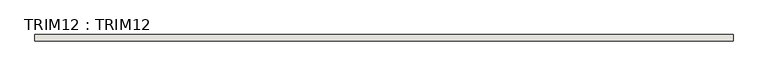
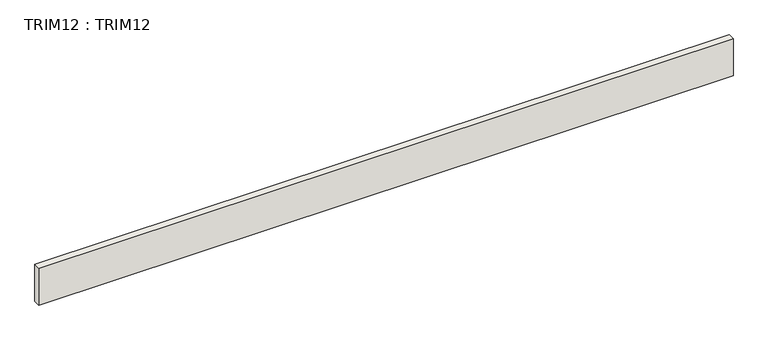
"""IFC4 building model written with IfcOpenShell, lengths in millimetres: wall geometry, TRIM12 : TRIM12."""

from ifc_helpers import new_model, si_unit, frame, origin, place, context, project, spatial, polyline, outline, extrude, source, transform, mapped, element, save


def trim12_trim12_9f6cd688(model_context):
    return source(origin(), model_context, "Body", "SweptSolid", [
        extrude(outline(polyline([(-4774.0091415, 11044.1232965), (-10174.6841415, 11044.1232965), (-10174.6841415, 11094.9232965), (-4774.0091415, 11094.9232965), (-4774.0091415, 11044.1232965)])), frame((0.0, 0.0, 2742.288952), z_axis=(0.0, 0.0, 1.0), x_axis=(1.0, 0.0, 0.0)), (0.0, 0.0, 1.0), 303.888952),
    ])


if __name__ == "__main__":
    model = new_model("IFC4")
    model_context = context("Model", 3, world=origin())
    ifc_project = project(units=[si_unit("LENGTHUNIT", "METRE", prefix="MILLI")], contexts=[model_context])
    site = spatial("IfcSite", under=ifc_project)
    building = spatial("IfcBuilding", under=site)
    placement = place(None, origin())
    trim12_trim12_shape = trim12_trim12_9f6cd688(model_context)
    element("IfcWall", 1, ObjectType="TRIM12 : TRIM12", at=placement, inside=building, context=model_context, shape_type="MappedRepresentation", body=[
        mapped(trim12_trim12_shape, transform((0.0, 0.0, 0.0), x_axis=(1.0, 0.0, 0.0), y_axis=(0.0, 1.0, 0.0), z_axis=(0.0, 0.0, 1.0))),
    ])
    save(model, "model.ifc")
